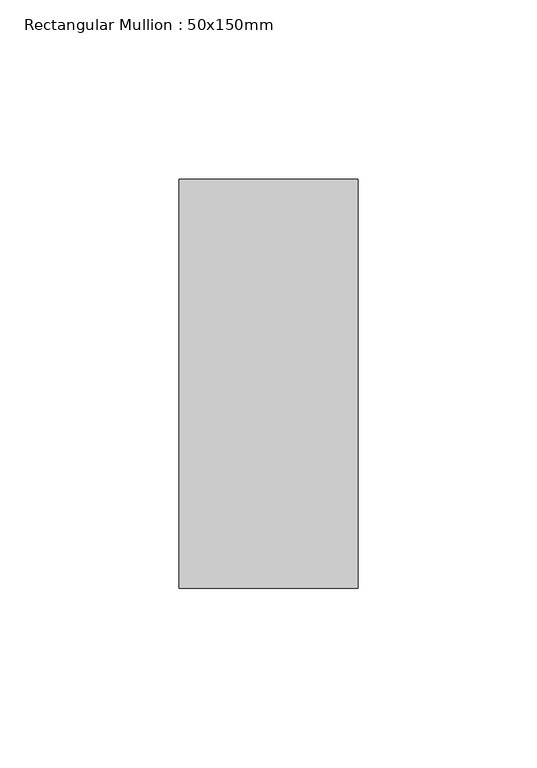
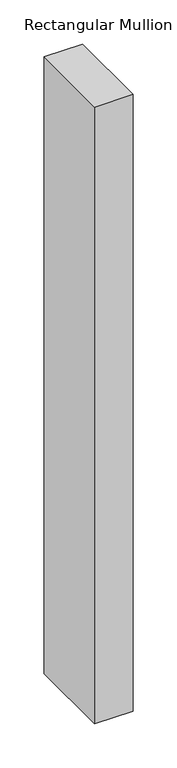
"""IFC4 building model written with IfcOpenShell, lengths in millimetres: member geometry, Rectangular Mullion : 50x150mm."""

from ifc_helpers import new_model, si_unit, frame, origin, place, context, project, spatial, polyline, outline, extrude, source, transform, mapped, element, save


def rectangular_mullion_50x150mm_0ac9fbe9(model_context):
    return source(origin(), model_context, "Body", "SweptSolid", [
        extrude(outline(polyline([(0.0, 57.15), (0.0, -57.15), (-50.0, -57.15), (-50.0, 57.15), (0.0, 57.15)])), frame((0.0, 0.0, -850.9), z_axis=(0.0, 0.0, 1.0), x_axis=(1.0, 0.0, 0.0)), (0.0, 0.0, 1.0), 850.9),
    ])


if __name__ == "__main__":
    model = new_model("IFC4")
    model_context = context("Model", 3, world=origin())
    ifc_project = project(units=[si_unit("LENGTHUNIT", "METRE", prefix="MILLI")], contexts=[model_context])
    site = spatial("IfcSite", under=ifc_project)
    building = spatial("IfcBuilding", under=site)
    placement = place(None, origin())
    rectangular_mullion_50x150mm_shape = rectangular_mullion_50x150mm_0ac9fbe9(model_context)
    element("IfcMember", 1, ObjectType="Rectangular Mullion : 50x150mm", at=placement, inside=building, context=model_context, shape_type="MappedRepresentation", body=[
        mapped(rectangular_mullion_50x150mm_shape, transform((0.0, 0.0, 0.0), x_axis=(1.0, 0.0, 0.0), y_axis=(0.0, 1.0, 0.0), z_axis=(0.0, 0.0, 1.0))),
    ])
    save(model, "model.ifc")
